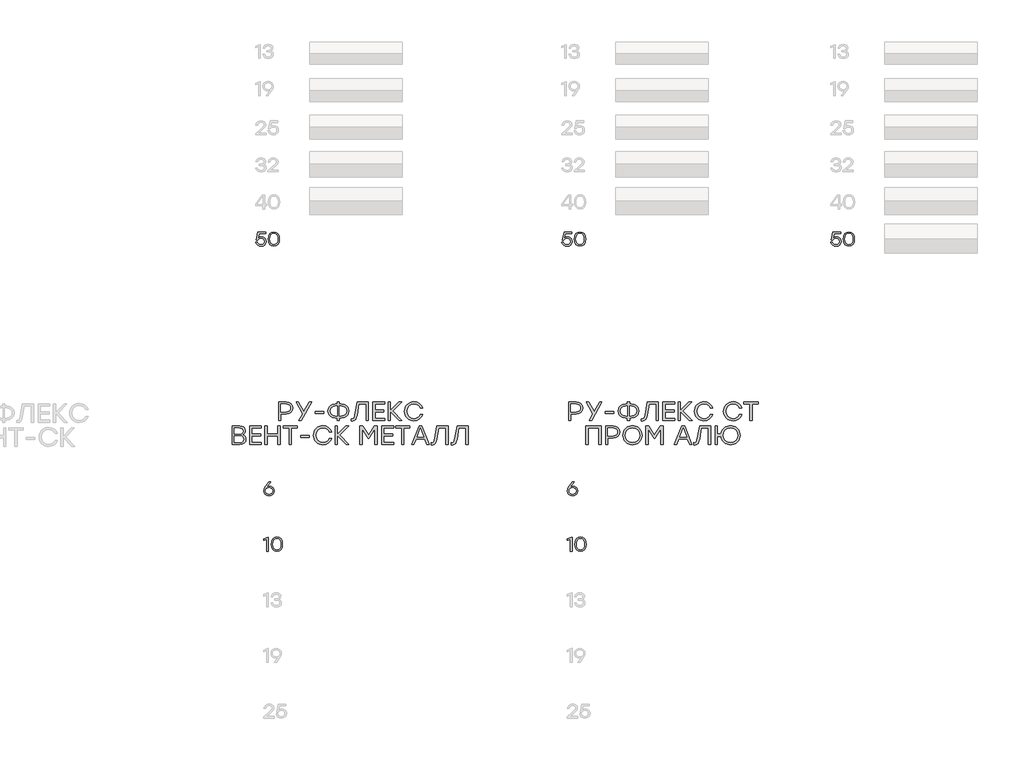
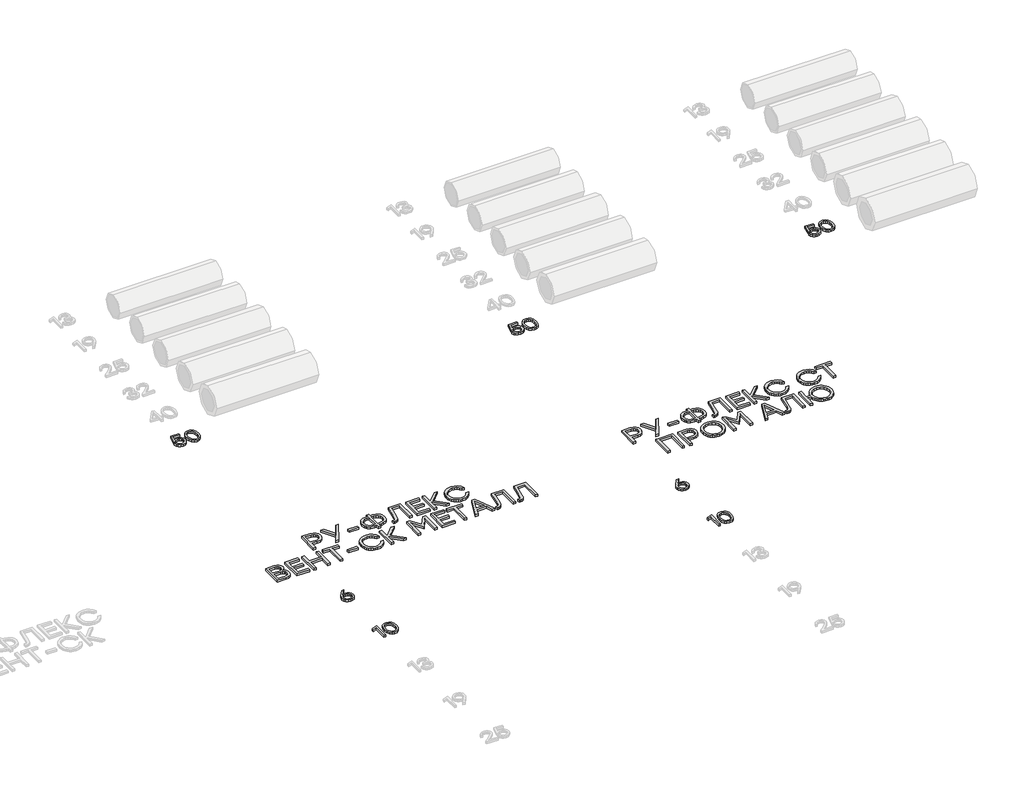
# One storey, part 30 of 41: 9 proxies.
"""IFC4 building model written with IfcOpenShell, lengths in millimetres."""

from ifc_helpers import new_model, si_unit, origin, origin_with_axes, place, context, project, spatial, polyline, outline, extrude, element, save

model = new_model("IFC4")

# Units and contexts
model_context = context("Model", 3, world=origin())
ifc_project = project(units=[si_unit("LENGTHUNIT", "METRE", prefix="MILLI")], contexts=[model_context])

# Site, building, storey
site = spatial("IfcSite", under=ifc_project)
building = spatial("IfcBuilding", under=site)
storey = spatial("IfcBuildingStorey", under=building, Elevation=0.0)

# Proxies
placement = place(None, origin())
element("IfcBuildingElementProxy", 1, Name="Generic Models", at=placement, inside=storey, context=model_context, shape_type="SweptSolid", body=[
    extrude(outline(polyline([(25686.1337091, -18963.3883723), (25705.8002487, -18966.7367268), (25722.3604836, -18976.7817901), (25733.6157955, -18992.6158758), (25737.3675661, -19013.3312975), (25733.3485323, -19034.848509), (25721.2914307, -19051.8777152), (25703.2335132, -19062.9666179), (25681.2120315, -19066.6629188), (25659.3720871, -19062.9968741), (25641.374682, -19051.99874), (25629.3175804, -19034.8384235), (25625.2985465, -19012.6858316), (25627.9207518, -18994.8397076), (25635.7873677, -18976.8826441), (25677.5812857, -18917.3182426), (25679.9210997, -18914.3329627), (25700.7373754, -18914.3329627), (25658.0559418, -18971.3356714), (25672.0544838, -18965.3751971), (25686.1337091, -18963.3883723)]), holes=[polyline([(25681.2120315, -19049.7597801), (25696.3199681, -19047.2384289), (25708.6443329, -19039.6743752), (25716.8437671, -19028.0459033), (25719.5769118, -19013.3312975), (25716.8437671, -18998.5158377), (25708.6443329, -18987.0689031), (25696.3703951, -18979.7468991), (25681.4137396, -18977.3062311), (25666.0839241, -18979.7721126), (25653.9007549, -18987.1697571), (25645.9433704, -18998.6923323), (25643.2909089, -19013.5330056), (25645.9937975, -19028.373679), (25654.102463, -19039.8962541), (25666.2856322, -19047.2938986), (25681.2120315, -19049.7597801)])]), origin_with_axes(), (0.0, 0.0, 1.0), 20.0),
])
element("IfcBuildingElementProxy", 2, Name="Generic Models", at=placement, inside=storey, context=model_context, shape_type="SweptSolid", body=[
    extrude(outline(polyline([(25667.2941727, -19514.3329627), (25675.4431799, -19514.3329627), (25675.4431799, -19664.3231049), (25657.6525256, -19664.3231049), (25657.6525256, -19535.1088969), (25623.1604407, -19549.0267557), (25623.1604407, -19531.4781511), (25667.2941727, -19514.3329627)])), origin_with_axes(), (0.0, 0.0, 1.0), 20.0),
    extrude(outline(polyline([(25766.1714826, -19511.9528072), (25791.6774717, -19517.0156804), (25810.7489724, -19532.2043003), (25822.6396648, -19556.6059375), (25826.603229, -19589.307863), (25822.6396648, -19622.0097885), (25810.7489724, -19646.4114257), (25791.6774717, -19661.6000455), (25766.1714826, -19666.6629188), (25740.8167746, -19661.6303017), (25721.7150177, -19646.5324506), (25709.7335566, -19622.1661123), (25705.7397363, -19589.3280338), (25709.7335566, -19556.4849126), (25721.7150177, -19532.1034462), (25740.8167746, -19516.9904669), (25766.1714826, -19511.9528072)]), holes=[polyline([(25734.9874106, -19635.0754306), (25748.4110845, -19646.0886927), (25766.1714826, -19649.7597801), (25783.9318807, -19646.0886927), (25797.3555547, -19635.0754306), (25805.7970386, -19616.2964066), (25808.6108666, -19589.3280338), (25805.7970386, -19562.359661), (25797.3555547, -19543.580637), (25783.9318807, -19532.5673748), (25766.1714826, -19528.8962875), (25748.4110845, -19532.5673748), (25734.9874106, -19543.580637), (25726.5459266, -19562.359661), (25723.7320987, -19589.3280338), (25726.5459266, -19616.2964066), (25734.9874106, -19635.0754306)])]), origin_with_axes(), (0.0, 0.0, 1.0), 20.0),
])
element("IfcBuildingElementProxy", 3, Name="Generic Models", at=placement, inside=storey, context=model_context, shape_type="SweptSolid", body=[
    extrude(outline(polyline([(25865.5114145, -18054.4104772), (25894.5304863, -18058.8749498), (25916.3956442, -18072.2683676), (25930.1117949, -18092.7215688), (25934.6838451, -18118.3653917), (25930.0714533, -18144.3991836), (25916.2342777, -18165.2692482), (25894.3287782, -18178.9853989), (25865.5114145, -18183.5574492), (25808.9255692, -18183.5574492), (25808.9255692, -18254.3973334), (25785.2046968, -18254.3973334), (25785.2046968, -18054.4104772), (25865.5114145, -18054.4104772)]), holes=[polyline([(25864.6507933, -18160.9661421), (25884.519041, -18157.9674151), (25898.94117, -18148.9712339), (25907.7154723, -18135.4030024), (25910.6402398, -18118.6881247), (25907.7154723, -18102.0404829), (25898.94117, -18088.6739596), (25884.519041, -18079.8794865), (25864.6507933, -18076.9479955), (25808.9255692, -18076.9479955), (25808.9255692, -18160.9661421), (25864.6507933, -18160.9661421)])]), origin_with_axes(), (0.0, 0.0, 1.0), 20.0),
    extrude(outline(polyline([(26143.7072241, -18054.4104772), (26030.5893224, -18254.3973334), (26003.7486981, -18254.3973334), (26045.1660943, -18181.8362067), (25972.2822347, -18054.4104772), (25999.1766479, -18054.4104772), (26058.290568, -18156.3940919), (26117.1355439, -18054.4104772), (26143.7072241, -18054.4104772)])), origin_with_axes(), (0.0, 0.0, 1.0), 20.0),
    extrude(outline(polyline([(26270.2723324, -18156.985769), (26270.2723324, -18179.5232872), (26177.6479735, -18179.5232872), (26177.6479735, -18156.985769), (26270.2723324, -18156.985769)])), origin_with_axes(), (0.0, 0.0, 1.0), 20.0),
    extrude(outline(polyline([(26460.846144, -18076.9479955), (26492.4941446, -18082.057934), (26518.265716, -18097.3877495), (26528.2553096, -18108.4900994), (26535.3907336, -18121.3573952), (26541.0990728, -18152.3868243), (26535.4243516, -18183.4162535), (26528.3309502, -18196.2835493), (26518.4001881, -18207.3858992), (26492.6622347, -18222.7157147), (26460.846144, -18227.8256532), (26441.1056447, -18227.8256532), (26441.1056447, -18254.3973334), (26417.3847723, -18254.3973334), (26417.3847723, -18227.8256532), (26397.4291178, -18227.8256532), (26365.5726854, -18222.7157147), (26339.8212848, -18207.3858992), (26329.8905227, -18196.2835493), (26322.7971213, -18183.4162535), (26317.1224001, -18152.3868243), (26322.8374629, -18121.3573952), (26329.9812914, -18108.4900994), (26339.9826513, -18097.3877495), (26365.7743935, -18082.057934), (26397.4291178, -18076.9479955), (26417.3847723, -18076.9479955), (26417.3847723, -18054.4104772), (26441.1056447, -18054.4104772), (26441.1056447, -18076.9479955), (26460.846144, -18076.9479955)]), holes=[polyline([(26460.846144, -18205.2343462), (26483.4508982, -18201.7716905), (26501.5642855, -18191.3837234), (26513.4650633, -18174.7091873), (26517.4319892, -18152.3868243), (26513.4650633, -18130.0644614), (26501.5642855, -18113.3899253), (26483.4508982, -18103.0019582), (26460.846144, -18099.5393025), (26441.1056447, -18099.5393025), (26441.1056447, -18205.2343462), (26460.846144, -18205.2343462)]), polyline([(26397.4291178, -18205.2343462), (26417.3847723, -18205.2343462), (26417.3847723, -18099.5393025), (26397.4291178, -18099.5393025), (26375.0260716, -18103.0019582), (26356.9799204, -18113.3899253), (26345.0791426, -18130.0644614), (26341.1122166, -18152.3868243), (26345.0388009, -18174.7091873), (26356.8185539, -18191.3837234), (26374.8243635, -18201.7716905), (26397.4291178, -18205.2343462)])]), origin_with_axes(), (0.0, 0.0, 1.0), 20.0),
    extrude(outline(polyline([(26630.7650462, -18054.4104772), (26751.0368618, -18054.4104772), (26751.0368618, -18254.3973334), (26727.3159894, -18254.3973334), (26727.3159894, -18076.9479955), (26650.7207008, -18076.9479955), (26631.6256675, -18193.2394379), (26624.5255424, -18223.2603266), (26614.735976, -18242.9672078), (26601.5308191, -18253.879616), (26584.1839227, -18257.5170853), (26568.4775854, -18256.6564641), (26568.4775854, -18234.9795671), (26579.6118724, -18235.5174554), (26590.3091253, -18233.2314303), (26597.873179, -18226.3733549), (26608.1737392, -18191.8409284), (26630.7650462, -18054.4104772)])), origin_with_axes(), (0.0, 0.0, 1.0), 20.0),
    extrude(outline(polyline([(26927.6255786, -18076.9479955), (26824.4586097, -18076.9479955), (26824.4586097, -18140.4188105), (26920.7406088, -18140.4188105), (26920.7406088, -18162.9563287), (26824.4586097, -18162.9563287), (26824.4586097, -18231.8060264), (26927.6255786, -18231.8060264), (26927.6255786, -18254.3973334), (26800.7377373, -18254.3973334), (26800.7377373, -18054.4104772), (26927.6255786, -18054.4104772), (26927.6255786, -18076.9479955)])), origin_with_axes(), (0.0, 0.0, 1.0), 20.0),
    extrude(outline(polyline([(27114.2728058, -18254.3973334), (27083.7207525, -18254.3973334), (26989.6978841, -18157.2547131), (26989.6978841, -18254.3973334), (26965.9770117, -18254.3973334), (26965.9770117, -18054.4104772), (26989.6978841, -18054.4104772), (26989.6978841, -18148.1106127), (27080.6010006, -18054.4104772), (27110.8841098, -18054.4104772), (27016.2695643, -18152.4137188), (27114.2728058, -18254.3973334)])), origin_with_axes(), (0.0, 0.0, 1.0), 20.0),
    extrude(outline(polyline([(27243.3122001, -18257.5170853), (27222.1143598, -18255.6781798), (27202.7890431, -18250.1614633), (27185.3362499, -18240.9669358), (27169.7559801, -18228.0945974), (27156.9424732, -18212.4538152), (27147.7899682, -18194.9539568), (27142.2984652, -18175.595022), (27140.4679642, -18154.3770109), (27142.2984652, -18133.1589998), (27147.7899682, -18113.8000651), (27156.9424732, -18096.3002066), (27169.7559801, -18080.6594245), (27185.3362499, -18067.787086), (27202.7890431, -18058.5925585), (27222.1143598, -18053.075842), (27243.3122001, -18051.2369365), (27274.7921107, -18055.7753687), (27302.3185426, -18069.3906654), (27324.0626756, -18090.6439754), (27338.1956897, -18118.0964476), (27312.7535749, -18118.0964476), (27301.2898313, -18099.8889299), (27285.1868014, -18085.8231518), (27265.4395785, -18076.8269706), (27243.043256, -18073.8282435), (27212.1415753, -18079.5769243), (27186.8877213, -18096.8229668), (27170.0652659, -18122.715563), (27164.4577808, -18154.4039053), (27170.0652659, -18186.0922476), (27186.8877213, -18211.9848439), (27212.1415753, -18229.2308863), (27243.043256, -18234.9795671), (27265.4395785, -18231.9808401), (27285.1868014, -18222.9846589), (27301.2898313, -18208.9054336), (27312.7535749, -18190.6575743), (27338.1956897, -18190.6575743), (27324.0626756, -18218.1436645), (27302.3185426, -18239.3902509), (27274.7921107, -18252.9853767), (27243.3122001, -18257.5170853)])), origin_with_axes(), (0.0, 0.0, 1.0), 20.0),
    extrude(outline(polyline([(25397.4948369, -18406.6328557), (25412.6263061, -18413.4606748), (25423.4344984, -18424.2083547), (25429.9194137, -18438.8758952), (25432.0810522, -18457.4632965), (25427.898971, -18480.6664515), (25415.3527272, -18498.2083324), (25394.8053956, -18509.2417654), (25366.6200506, -18512.9195764), (25282.6019039, -18512.9195764), (25282.6019039, -18312.9327203), (25365.2215411, -18312.9327203), (25391.5175536, -18316.2541803), (25410.4848384, -18326.2185603), (25421.9620293, -18342.2476306), (25425.7877595, -18363.7631611), (25424.0194519, -18378.1214159), (25418.7145289, -18390.05245), (25409.8729905, -18399.5562632), (25397.4948369, -18406.6328557)]), holes=[polyline([(25366.3511065, -18490.3282694), (25384.730076, -18488.1699927), (25397.8579115, -18481.6951628), (25405.7346127, -18470.9037795), (25408.3601798, -18455.7958429), (25405.8589994, -18440.472751), (25398.3554581, -18429.3586348), (25385.2040901, -18422.6014135), (25365.7594294, -18420.3490064), (25306.3227763, -18420.3490064), (25306.3227763, -18490.3282694), (25366.3511065, -18490.3282694)]), polyline([(25401.797943, -18367.205646), (25399.5119179, -18353.4222592), (25392.6538425, -18343.4847736), (25380.511015, -18337.4738723), (25362.3707333, -18335.4702385), (25306.3227763, -18335.4702385), (25306.3227763, -18398.6183205), (25361.7790562, -18398.6183205), (25380.3630957, -18396.6214104), (25392.6538425, -18390.6306798), (25399.5119179, -18380.780601), (25401.797943, -18367.205646)])]), origin_with_axes(), (0.0, 0.0, 1.0), 20.0),
    extrude(outline(polyline([(25598.8264137, -18335.4702385), (25495.6594449, -18335.4702385), (25495.6594449, -18398.9410535), (25591.941444, -18398.9410535), (25591.941444, -18421.4785717), (25495.6594449, -18421.4785717), (25495.6594449, -18490.3282694), (25598.8264137, -18490.3282694), (25598.8264137, -18512.9195764), (25471.9385725, -18512.9195764), (25471.9385725, -18312.9327203), (25598.8264137, -18312.9327203), (25598.8264137, -18335.4702385)])), origin_with_axes(), (0.0, 0.0, 1.0), 20.0),
    extrude(outline(polyline([(25776.9212176, -18312.9327203), (25800.64209, -18312.9327203), (25800.64209, -18512.9195764), (25776.9212176, -18512.9195764), (25776.9212176, -18420.9406835), (25660.8987193, -18420.9406835), (25660.8987193, -18512.9195764), (25637.1778469, -18512.9195764), (25637.1778469, -18312.9327203), (25660.8987193, -18312.9327203), (25660.8987193, -18398.3493764), (25776.9212176, -18398.3493764), (25776.9212176, -18312.9327203)])), origin_with_axes(), (0.0, 0.0, 1.0), 20.0),
    extrude(outline(polyline([(25988.0961496, -18312.9327203), (25988.0961496, -18335.4702385), (25923.4957693, -18335.4702385), (25923.4957693, -18512.9195764), (25899.5059527, -18512.9195764), (25899.5059527, -18335.4702385), (25835.2283053, -18335.4702385), (25835.2283053, -18312.9327203), (25988.0961496, -18312.9327203)])), origin_with_axes(), (0.0, 0.0, 1.0), 20.0),
    extrude(outline(polyline([(26115.3605127, -18415.508012), (26115.3605127, -18438.0455302), (26022.7361538, -18438.0455302), (26022.7361538, -18415.508012), (26115.3605127, -18415.508012)])), origin_with_axes(), (0.0, 0.0, 1.0), 20.0),
    extrude(outline(polyline([(26262.2040084, -18516.0393284), (26241.0061682, -18514.2004229), (26221.6808514, -18508.6837064), (26204.2280582, -18499.4891789), (26188.6477885, -18486.6168404), (26175.8342815, -18470.9760582), (26166.6817765, -18453.4761998), (26161.1902736, -18434.117265), (26159.3597726, -18412.8992539), (26161.1902736, -18391.6812429), (26166.6817765, -18372.3223081), (26175.8342815, -18354.8224496), (26188.6477885, -18339.1816675), (26204.2280582, -18326.309329), (26221.6808514, -18317.1148015), (26241.0061682, -18311.598085), (26262.2040084, -18309.7591795), (26293.683919, -18314.2976117), (26321.2103509, -18327.9129084), (26342.9544839, -18349.1662184), (26357.087498, -18376.6186906), (26331.6453832, -18376.6186906), (26320.1816396, -18358.4111729), (26304.0786097, -18344.3453948), (26284.3313869, -18335.3492136), (26261.9350643, -18332.3504865), (26231.0333836, -18338.0991674), (26205.7795297, -18355.3452098), (26188.9570742, -18381.237806), (26183.3495891, -18412.9261483), (26188.9570742, -18444.6144906), (26205.7795297, -18470.5070869), (26231.0333836, -18487.7531293), (26261.9350643, -18493.5018101), (26284.3313869, -18490.5030831), (26304.0786097, -18481.5069019), (26320.1816396, -18467.4276766), (26331.6453832, -18449.1798173), (26357.087498, -18449.1798173), (26342.9544839, -18476.6659075), (26321.2103509, -18497.9124939), (26293.683919, -18511.5076197), (26262.2040084, -18516.0393284)])), origin_with_axes(), (0.0, 0.0, 1.0), 20.0),
    extrude(outline(polyline([(26542.8203152, -18512.9195764), (26512.2682619, -18512.9195764), (26418.2453935, -18415.7769561), (26418.2453935, -18512.9195764), (26394.5245211, -18512.9195764), (26394.5245211, -18312.9327203), (26418.2453935, -18312.9327203), (26418.2453935, -18406.6328557), (26509.14851, -18312.9327203), (26539.4316192, -18312.9327203), (26444.8170737, -18410.9359618), (26542.8203152, -18512.9195764)])), origin_with_axes(), (0.0, 0.0, 1.0), 20.0),
    extrude(outline(polyline([(26817.6274288, -18312.9327203), (26846.7809726, -18312.9327203), (26846.7809726, -18512.9195764), (26823.0601002, -18512.9195764), (26823.0601002, -18343.4847736), (26755.3399679, -18445.7911212), (26753.0808372, -18445.7911212), (26685.3607049, -18343.4847736), (26685.3607049, -18512.9195764), (26661.6398325, -18512.9195764), (26661.6398325, -18312.9327203), (26690.7933764, -18312.9327203), (26754.2104026, -18408.3540981), (26817.6274288, -18312.9327203)])), origin_with_axes(), (0.0, 0.0, 1.0), 20.0),
    extrude(outline(polyline([(27024.0151553, -18335.4702385), (26920.8481865, -18335.4702385), (26920.8481865, -18398.9410535), (27017.1301855, -18398.9410535), (27017.1301855, -18421.4785717), (26920.8481865, -18421.4785717), (26920.8481865, -18490.3282694), (27024.0151553, -18490.3282694), (27024.0151553, -18512.9195764), (26897.1273141, -18512.9195764), (26897.1273141, -18312.9327203), (27024.0151553, -18312.9327203), (27024.0151553, -18335.4702385)])), origin_with_axes(), (0.0, 0.0, 1.0), 20.0),
    extrude(outline(polyline([(27199.8508285, -18312.9327203), (27199.8508285, -18335.4702385), (27135.2504481, -18335.4702385), (27135.2504481, -18512.9195764), (27111.2606315, -18512.9195764), (27111.2606315, -18335.4702385), (27046.9829841, -18335.4702385), (27046.9829841, -18312.9327203), (27199.8508285, -18312.9327203)])), origin_with_axes(), (0.0, 0.0, 1.0), 20.0),
    extrude(outline(polyline([(27384.5078691, -18512.9195764), (27360.7869967, -18452.8912463), (27267.9474826, -18452.8912463), (27244.2266102, -18512.9195764), (27219.1072283, -18512.9195764), (27299.091213, -18312.9327203), (27329.6432663, -18312.9327203), (27409.6810398, -18512.9195764), (27384.5078691, -18512.9195764)]), holes=[polyline([(27277.091583, -18430.3537281), (27351.9656292, -18430.3537281), (27314.5286061, -18335.4702385), (27277.091583, -18430.3537281)])]), origin_with_axes(), (0.0, 0.0, 1.0), 20.0),
    extrude(outline(polyline([(27491.386267, -18312.9327203), (27611.6580826, -18312.9327203), (27611.6580826, -18512.9195764), (27587.9372102, -18512.9195764), (27587.9372102, -18335.4702385), (27511.3419215, -18335.4702385), (27492.2468882, -18451.7616809), (27485.1467631, -18481.7825696), (27475.3571968, -18501.4894508), (27462.1520399, -18512.401859), (27444.8051434, -18516.0393284), (27429.0988061, -18515.1787071), (27429.0988061, -18493.5018101), (27440.2330932, -18494.0396984), (27450.930346, -18491.7536733), (27458.4943997, -18484.8955979), (27468.7949599, -18450.3631714), (27491.386267, -18312.9327203)])), origin_with_axes(), (0.0, 0.0, 1.0), 20.0),
    extrude(outline(polyline([(27708.2628146, -18312.9327203), (27828.5346302, -18312.9327203), (27828.5346302, -18512.9195764), (27804.8137578, -18512.9195764), (27804.8137578, -18335.4702385), (27728.2184692, -18335.4702385), (27709.1234358, -18451.7616809), (27702.0233108, -18481.7825696), (27692.2337444, -18501.4894508), (27679.0285875, -18512.401859), (27661.681691, -18516.0393284), (27645.9753538, -18515.1787071), (27645.9753538, -18493.5018101), (27657.1096408, -18494.0396984), (27667.8068936, -18491.7536733), (27675.3709473, -18484.8955979), (27685.6715076, -18450.3631714), (27708.2628146, -18312.9327203)])), origin_with_axes(), (0.0, 0.0, 1.0), 20.0),
])
element("IfcBuildingElementProxy", 4, Name="Generic Models", at=placement, inside=storey, context=model_context, shape_type="SweptSolid", body=[
    extrude(outline(polyline([(25600.1133644, -16272.3174479), (25620.0017829, -16275.6910158), (25636.4208221, -16285.8117197), (25647.4340843, -16301.5096524), (25651.1051717, -16321.6149072), (25647.1970773, -16342.3152008), (25635.4727941, -16358.9914178), (25617.9090614, -16369.9895519), (25596.4826186, -16373.6555966), (25575.5251471, -16370.6047616), (25557.6739804, -16361.4522566), (25544.6537227, -16346.7225227), (25538.1889781, -16326.940001), (25556.1813405, -16326.940001), (25561.3299397, -16339.6425685), (25570.3210782, -16349.0270378), (25582.3176674, -16354.8211029), (25596.4826186, -16356.7524579), (25610.9703028, -16354.2311067), (25622.7248422, -16346.667053), (25630.5158175, -16335.3613141), (25633.1128093, -16321.6149072), (25630.541031, -16307.6718348), (25622.8256963, -16296.7442986), (25611.1467974, -16289.6794724), (25596.6843267, -16287.3245304), (25575.6865136, -16292.195781), (25561.1030181, -16306.8095327), (25543.9578297, -16306.8095327), (25562.1922418, -16221.3256405), (25644.0453882, -16221.3256405), (25644.0453882, -16238.2287792), (25575.6663428, -16238.2287792), (25565.8229876, -16284.9443748), (25581.2536571, -16275.4741796), (25600.1133644, -16272.3174479)])), origin_with_axes(), (0.0, 0.0, 1.0), 20.0),
    extrude(outline(polyline([(25733.2810511, -16218.945485), (25758.7870401, -16224.0083582), (25777.8585409, -16239.1969781), (25789.7492333, -16263.5986153), (25793.7127974, -16296.3005408), (25789.7492333, -16329.0024663), (25777.8585409, -16353.4041035), (25758.7870401, -16368.5927233), (25733.2810511, -16373.6555966), (25707.9263431, -16368.6229795), (25688.8245861, -16353.5251284), (25676.8431251, -16329.1587901), (25672.8493047, -16296.3207116), (25676.8431251, -16263.4775904), (25688.8245861, -16239.096124), (25707.9263431, -16223.9831447), (25733.2810511, -16218.945485)]), holes=[polyline([(25702.096979, -16342.0681084), (25715.520653, -16353.0813705), (25733.2810511, -16356.7524579), (25751.0414492, -16353.0813705), (25764.4651231, -16342.0681084), (25772.906607, -16323.2890844), (25775.720435, -16296.3207116), (25772.906607, -16269.3523388), (25764.4651231, -16250.5733148), (25751.0414492, -16239.5600526), (25733.2810511, -16235.8889653), (25715.520653, -16239.5600526), (25702.096979, -16250.5733148), (25693.6554951, -16269.3523388), (25690.8416671, -16296.3207116), (25693.6554951, -16323.2890844), (25702.096979, -16342.0681084)])]), origin_with_axes(), (0.0, 0.0, 1.0), 20.0),
])
element("IfcBuildingElementProxy", 5, Name="Generic Models", at=placement, inside=storey, context=model_context, shape_type="SweptSolid", body=[
    extrude(outline(polyline([(28900.1133644, -16272.3174479), (28920.0017829, -16275.6910158), (28936.4208221, -16285.8117197), (28947.4340843, -16301.5096524), (28951.1051717, -16321.6149072), (28947.1970773, -16342.3152008), (28935.4727941, -16358.9914178), (28917.9090614, -16369.9895519), (28896.4826186, -16373.6555966), (28875.5251471, -16370.6047616), (28857.6739804, -16361.4522566), (28844.6537227, -16346.7225227), (28838.1889781, -16326.940001), (28856.1813405, -16326.940001), (28861.3299397, -16339.6425685), (28870.3210782, -16349.0270378), (28882.3176674, -16354.8211029), (28896.4826186, -16356.7524579), (28910.9703028, -16354.2311067), (28922.7248422, -16346.667053), (28930.5158175, -16335.3613141), (28933.1128093, -16321.6149072), (28930.541031, -16307.6718348), (28922.8256963, -16296.7442986), (28911.1467974, -16289.6794724), (28896.6843267, -16287.3245304), (28875.6865136, -16292.195781), (28861.1030181, -16306.8095327), (28843.9578297, -16306.8095327), (28862.1922418, -16221.3256405), (28944.0453882, -16221.3256405), (28944.0453882, -16238.2287792), (28875.6663428, -16238.2287792), (28865.8229876, -16284.9443748), (28881.2536571, -16275.4741796), (28900.1133644, -16272.3174479)])), origin_with_axes(), (0.0, 0.0, 1.0), 20.0),
    extrude(outline(polyline([(29033.2810511, -16218.945485), (29058.7870401, -16224.0083582), (29077.8585409, -16239.1969781), (29089.7492333, -16263.5986153), (29093.7127974, -16296.3005408), (29089.7492333, -16329.0024663), (29077.8585409, -16353.4041035), (29058.7870401, -16368.5927233), (29033.2810511, -16373.6555966), (29007.9263431, -16368.6229795), (28988.8245861, -16353.5251284), (28976.8431251, -16329.1587901), (28972.8493047, -16296.3207116), (28976.8431251, -16263.4775904), (28988.8245861, -16239.096124), (29007.9263431, -16223.9831447), (29033.2810511, -16218.945485)]), holes=[polyline([(29002.096979, -16342.0681084), (29015.520653, -16353.0813705), (29033.2810511, -16356.7524579), (29051.0414492, -16353.0813705), (29064.4651231, -16342.0681084), (29072.906607, -16323.2890844), (29075.720435, -16296.3207116), (29072.906607, -16269.3523388), (29064.4651231, -16250.5733148), (29051.0414492, -16239.5600526), (29033.2810511, -16235.8889653), (29015.520653, -16239.5600526), (29002.096979, -16250.5733148), (28993.6554951, -16269.3523388), (28990.8416671, -16296.3207116), (28993.6554951, -16323.2890844), (29002.096979, -16342.0681084)])]), origin_with_axes(), (0.0, 0.0, 1.0), 20.0),
])
element("IfcBuildingElementProxy", 6, Name="Generic Models", at=placement, inside=storey, context=model_context, shape_type="SweptSolid", body=[
    extrude(outline(polyline([(31800.1133644, -16272.3174479), (31820.0017829, -16275.6910158), (31836.4208221, -16285.8117197), (31847.4340843, -16301.5096524), (31851.1051717, -16321.6149072), (31847.1970773, -16342.3152008), (31835.4727941, -16358.9914178), (31817.9090614, -16369.9895519), (31796.4826186, -16373.6555966), (31775.5251471, -16370.6047616), (31757.6739804, -16361.4522566), (31744.6537227, -16346.7225227), (31738.1889781, -16326.940001), (31756.1813405, -16326.940001), (31761.3299397, -16339.6425685), (31770.3210782, -16349.0270378), (31782.3176674, -16354.8211029), (31796.4826186, -16356.7524579), (31810.9703028, -16354.2311067), (31822.7248422, -16346.667053), (31830.5158175, -16335.3613141), (31833.1128093, -16321.6149072), (31830.541031, -16307.6718348), (31822.8256963, -16296.7442986), (31811.1467974, -16289.6794724), (31796.6843267, -16287.3245304), (31775.6865136, -16292.195781), (31761.1030181, -16306.8095327), (31743.9578297, -16306.8095327), (31762.1922418, -16221.3256405), (31844.0453882, -16221.3256405), (31844.0453882, -16238.2287792), (31775.6663428, -16238.2287792), (31765.8229876, -16284.9443748), (31781.2536571, -16275.4741796), (31800.1133644, -16272.3174479)])), origin_with_axes(), (0.0, 0.0, 1.0), 20.0),
    extrude(outline(polyline([(31933.2810511, -16218.945485), (31958.7870401, -16224.0083582), (31977.8585409, -16239.1969781), (31989.7492333, -16263.5986153), (31993.7127974, -16296.3005408), (31989.7492333, -16329.0024663), (31977.8585409, -16353.4041035), (31958.7870401, -16368.5927233), (31933.2810511, -16373.6555966), (31907.9263431, -16368.6229795), (31888.8245861, -16353.5251284), (31876.8431251, -16329.1587901), (31872.8493047, -16296.3207116), (31876.8431251, -16263.4775904), (31888.8245861, -16239.096124), (31907.9263431, -16223.9831447), (31933.2810511, -16218.945485)]), holes=[polyline([(31902.096979, -16342.0681084), (31915.520653, -16353.0813705), (31933.2810511, -16356.7524579), (31951.0414492, -16353.0813705), (31964.4651231, -16342.0681084), (31972.906607, -16323.2890844), (31975.720435, -16296.3207116), (31972.906607, -16269.3523388), (31964.4651231, -16250.5733148), (31951.0414492, -16239.5600526), (31933.2810511, -16235.8889653), (31915.520653, -16239.5600526), (31902.096979, -16250.5733148), (31893.6554951, -16269.3523388), (31890.8416671, -16296.3207116), (31893.6554951, -16323.2890844), (31902.096979, -16342.0681084)])]), origin_with_axes(), (0.0, 0.0, 1.0), 20.0),
])
element("IfcBuildingElementProxy", 7, Name="Generic Models", at=placement, inside=storey, context=model_context, shape_type="SweptSolid", body=[
    extrude(outline(polyline([(28959.0241406, -18963.3883723), (28978.6906803, -18966.7367268), (28995.2509151, -18976.7817901), (29006.5062271, -18992.6158758), (29010.2579977, -19013.3312975), (29006.2389638, -19034.848509), (28994.1818622, -19051.8777152), (28976.1239447, -19062.9666179), (28954.102463, -19066.6629188), (28932.2625187, -19062.9968741), (28914.2651136, -19051.99874), (28902.208012, -19034.8384235), (28898.1889781, -19012.6858316), (28900.8111834, -18994.8397076), (28908.6777992, -18976.8826441), (28950.4717173, -18917.3182426), (28952.8115312, -18914.3329627), (28973.627807, -18914.3329627), (28930.9463733, -18971.3356714), (28944.9449154, -18965.3751971), (28959.0241406, -18963.3883723)]), holes=[polyline([(28954.102463, -19049.7597801), (28969.2103996, -19047.2384289), (28981.5347644, -19039.6743752), (28989.7341987, -19028.0459033), (28992.4673434, -19013.3312975), (28989.7341987, -18998.5158377), (28981.5347644, -18987.0689031), (28969.2608266, -18979.7468991), (28954.3041711, -18977.3062311), (28938.9743556, -18979.7721126), (28926.7911865, -18987.1697571), (28918.833802, -18998.6923323), (28916.1813405, -19013.5330056), (28918.884229, -19028.373679), (28926.9928946, -19039.8962541), (28939.1760637, -19047.2938986), (28954.102463, -19049.7597801)])]), origin_with_axes(), (0.0, 0.0, 1.0), 20.0),
])
element("IfcBuildingElementProxy", 8, Name="Generic Models", at=placement, inside=storey, context=model_context, shape_type="SweptSolid", body=[
    extrude(outline(polyline([(28940.1846042, -19514.3329627), (28948.3336114, -19514.3329627), (28948.3336114, -19664.3231049), (28930.5429571, -19664.3231049), (28930.5429571, -19535.1088969), (28896.0508722, -19549.0267557), (28896.0508722, -19531.4781511), (28940.1846042, -19514.3329627)])), origin_with_axes(), (0.0, 0.0, 1.0), 20.0),
    extrude(outline(polyline([(29039.0619142, -19511.9528072), (29064.5679032, -19517.0156804), (29083.639404, -19532.2043003), (29095.5300964, -19556.6059375), (29099.4936605, -19589.307863), (29095.5300964, -19622.0097885), (29083.639404, -19646.4114257), (29064.5679032, -19661.6000455), (29039.0619142, -19666.6629188), (29013.7072062, -19661.6303017), (28994.6054492, -19646.5324506), (28982.6239882, -19622.1661123), (28978.6301678, -19589.3280338), (28982.6239882, -19556.4849126), (28994.6054492, -19532.1034462), (29013.7072062, -19516.9904669), (29039.0619142, -19511.9528072)]), holes=[polyline([(29007.8778421, -19635.0754306), (29021.3015161, -19646.0886927), (29039.0619142, -19649.7597801), (29056.8223123, -19646.0886927), (29070.2459862, -19635.0754306), (29078.6874701, -19616.2964066), (29081.5012981, -19589.3280338), (29078.6874701, -19562.359661), (29070.2459862, -19543.580637), (29056.8223123, -19532.5673748), (29039.0619142, -19528.8962875), (29021.3015161, -19532.5673748), (29007.8778421, -19543.580637), (28999.4363582, -19562.359661), (28996.6225302, -19589.3280338), (28999.4363582, -19616.2964066), (29007.8778421, -19635.0754306)])]), origin_with_axes(), (0.0, 0.0, 1.0), 20.0),
])
element("IfcBuildingElementProxy", 9, Name="Generic Models", at=placement, inside=storey, context=model_context, shape_type="SweptSolid", body=[
    extrude(outline(polyline([(28993.3268533, -18054.4104772), (29022.3459251, -18058.8749498), (29044.211083, -18072.2683676), (29057.9272337, -18092.7215688), (29062.4992839, -18118.3653917), (29057.886892, -18144.3991836), (29044.0497165, -18165.2692482), (29022.144217, -18178.9853989), (28993.3268533, -18183.5574492), (28936.741008, -18183.5574492), (28936.741008, -18254.3973334), (28913.0201356, -18254.3973334), (28913.0201356, -18054.4104772), (28993.3268533, -18054.4104772)]), holes=[polyline([(28992.4662321, -18160.9661421), (29012.3344798, -18157.9674151), (29026.7566088, -18148.9712339), (29035.5309111, -18135.4030024), (29038.4556785, -18118.6881247), (29035.5309111, -18102.0404829), (29026.7566088, -18088.6739596), (29012.3344798, -18079.8794865), (28992.4662321, -18076.9479955), (28936.741008, -18076.9479955), (28936.741008, -18160.9661421), (28992.4662321, -18160.9661421)])]), origin_with_axes(), (0.0, 0.0, 1.0), 20.0),
    extrude(outline(polyline([(29271.5226629, -18054.4104772), (29158.4047612, -18254.3973334), (29131.5641369, -18254.3973334), (29172.9815331, -18181.8362067), (29100.0976735, -18054.4104772), (29126.9920866, -18054.4104772), (29186.1060067, -18156.3940919), (29244.9509827, -18054.4104772), (29271.5226629, -18054.4104772)])), origin_with_axes(), (0.0, 0.0, 1.0), 20.0),
    extrude(outline(polyline([(29398.0877712, -18156.985769), (29398.0877712, -18179.5232872), (29305.4634123, -18179.5232872), (29305.4634123, -18156.985769), (29398.0877712, -18156.985769)])), origin_with_axes(), (0.0, 0.0, 1.0), 20.0),
    extrude(outline(polyline([(29588.6615827, -18076.9479955), (29620.3095834, -18082.057934), (29646.0811548, -18097.3877495), (29656.0707484, -18108.4900994), (29663.2061724, -18121.3573952), (29668.9145116, -18152.3868243), (29663.2397904, -18183.4162535), (29656.1463889, -18196.2835493), (29646.2156269, -18207.3858992), (29620.4776735, -18222.7157147), (29588.6615827, -18227.8256532), (29568.9210835, -18227.8256532), (29568.9210835, -18254.3973334), (29545.2002111, -18254.3973334), (29545.2002111, -18227.8256532), (29525.2445565, -18227.8256532), (29493.3881242, -18222.7157147), (29467.6367236, -18207.3858992), (29457.7059615, -18196.2835493), (29450.61256, -18183.4162535), (29444.9378389, -18152.3868243), (29450.6529017, -18121.3573952), (29457.7967302, -18108.4900994), (29467.7980901, -18097.3877495), (29493.5898323, -18082.057934), (29525.2445565, -18076.9479955), (29545.2002111, -18076.9479955), (29545.2002111, -18054.4104772), (29568.9210835, -18054.4104772), (29568.9210835, -18076.9479955), (29588.6615827, -18076.9479955)]), holes=[polyline([(29588.6615827, -18205.2343462), (29611.266337, -18201.7716905), (29629.3797242, -18191.3837234), (29641.2805021, -18174.7091873), (29645.247428, -18152.3868243), (29641.2805021, -18130.0644614), (29629.3797242, -18113.3899253), (29611.266337, -18103.0019582), (29588.6615827, -18099.5393025), (29568.9210835, -18099.5393025), (29568.9210835, -18205.2343462), (29588.6615827, -18205.2343462)]), polyline([(29525.2445565, -18205.2343462), (29545.2002111, -18205.2343462), (29545.2002111, -18099.5393025), (29525.2445565, -18099.5393025), (29502.8415104, -18103.0019582), (29484.7953592, -18113.3899253), (29472.8945813, -18130.0644614), (29468.9276554, -18152.3868243), (29472.8542397, -18174.7091873), (29484.6339927, -18191.3837234), (29502.6398023, -18201.7716905), (29525.2445565, -18205.2343462)])]), origin_with_axes(), (0.0, 0.0, 1.0), 20.0),
    extrude(outline(polyline([(29758.580485, -18054.4104772), (29878.8523006, -18054.4104772), (29878.8523006, -18254.3973334), (29855.1314282, -18254.3973334), (29855.1314282, -18076.9479955), (29778.5361396, -18076.9479955), (29759.4411062, -18193.2394379), (29752.3409812, -18223.2603266), (29742.5514148, -18242.9672078), (29729.3462579, -18253.879616), (29711.9993614, -18257.5170853), (29696.2930242, -18256.6564641), (29696.2930242, -18234.9795671), (29707.4273112, -18235.5174554), (29718.124564, -18233.2314303), (29725.6886177, -18226.3733549), (29735.989178, -18191.8409284), (29758.580485, -18054.4104772)])), origin_with_axes(), (0.0, 0.0, 1.0), 20.0),
    extrude(outline(polyline([(30055.4410173, -18076.9479955), (29952.2740485, -18076.9479955), (29952.2740485, -18140.4188105), (30048.5560476, -18140.4188105), (30048.5560476, -18162.9563287), (29952.2740485, -18162.9563287), (29952.2740485, -18231.8060264), (30055.4410173, -18231.8060264), (30055.4410173, -18254.3973334), (29928.5531761, -18254.3973334), (29928.5531761, -18054.4104772), (30055.4410173, -18054.4104772), (30055.4410173, -18076.9479955)])), origin_with_axes(), (0.0, 0.0, 1.0), 20.0),
    extrude(outline(polyline([(30242.0882446, -18254.3973334), (30211.5361913, -18254.3973334), (30117.5133229, -18157.2547131), (30117.5133229, -18254.3973334), (30093.7924505, -18254.3973334), (30093.7924505, -18054.4104772), (30117.5133229, -18054.4104772), (30117.5133229, -18148.1106127), (30208.4164393, -18054.4104772), (30238.6995485, -18054.4104772), (30144.0850031, -18152.4137188), (30242.0882446, -18254.3973334)])), origin_with_axes(), (0.0, 0.0, 1.0), 20.0),
    extrude(outline(polyline([(30371.1276389, -18257.5170853), (30349.9297986, -18255.6781798), (30330.6044819, -18250.1614633), (30313.1516886, -18240.9669358), (30297.5714189, -18228.0945974), (30284.757912, -18212.4538152), (30275.605407, -18194.9539568), (30270.113904, -18175.595022), (30268.283403, -18154.3770109), (30270.113904, -18133.1589998), (30275.605407, -18113.8000651), (30284.757912, -18096.3002066), (30297.5714189, -18080.6594245), (30313.1516886, -18067.787086), (30330.6044819, -18058.5925585), (30349.9297986, -18053.075842), (30371.1276389, -18051.2369365), (30402.6075495, -18055.7753687), (30430.1339813, -18069.3906654), (30451.8781144, -18090.6439754), (30466.0111285, -18118.0964476), (30440.5690136, -18118.0964476), (30429.10527, -18099.8889299), (30413.0022402, -18085.8231518), (30393.2550173, -18076.8269706), (30370.8586948, -18073.8282435), (30339.957014, -18079.5769243), (30314.7031601, -18096.8229668), (30297.8807047, -18122.715563), (30292.2732195, -18154.4039053), (30297.8807047, -18186.0922476), (30314.7031601, -18211.9848439), (30339.957014, -18229.2308863), (30370.8586948, -18234.9795671), (30393.2550173, -18231.9808401), (30413.0022402, -18222.9846589), (30429.10527, -18208.9054336), (30440.5690136, -18190.6575743), (30466.0111285, -18190.6575743), (30451.8781144, -18218.1436645), (30430.1339813, -18239.3902509), (30402.6075495, -18252.9853767), (30371.1276389, -18257.5170853)])), origin_with_axes(), (0.0, 0.0, 1.0), 20.0),
    extrude(outline(polyline([(30684.3937632, -18257.5170853), (30663.195923, -18255.6781798), (30643.8706062, -18250.1614633), (30626.417813, -18240.9669358), (30610.8375433, -18228.0945974), (30598.0240363, -18212.4538152), (30588.8715313, -18194.9539568), (30583.3800284, -18175.595022), (30581.5495274, -18154.3770109), (30583.3800284, -18133.1589998), (30588.8715313, -18113.8000651), (30598.0240363, -18096.3002066), (30610.8375433, -18080.6594245), (30626.417813, -18067.787086), (30643.8706062, -18058.5925585), (30663.195923, -18053.075842), (30684.3937632, -18051.2369365), (30715.8736738, -18055.7753687), (30743.4001057, -18069.3906654), (30765.1442387, -18090.6439754), (30779.2772528, -18118.0964476), (30753.835138, -18118.0964476), (30742.3713944, -18099.8889299), (30726.2683645, -18085.8231518), (30706.5211417, -18076.8269706), (30684.1248191, -18073.8282435), (30653.2231384, -18079.5769243), (30627.9692845, -18096.8229668), (30611.146829, -18122.715563), (30605.5393439, -18154.4039053), (30611.146829, -18186.0922476), (30627.9692845, -18211.9848439), (30653.2231384, -18229.2308863), (30684.1248191, -18234.9795671), (30706.5211417, -18231.9808401), (30726.2683645, -18222.9846589), (30742.3713944, -18208.9054336), (30753.835138, -18190.6575743), (30779.2772528, -18190.6575743), (30765.1442387, -18218.1436645), (30743.4001057, -18239.3902509), (30715.8736738, -18252.9853767), (30684.3937632, -18257.5170853)])), origin_with_axes(), (0.0, 0.0, 1.0), 20.0),
    extrude(outline(polyline([(30954.1985159, -18054.4104772), (30954.1985159, -18076.9479955), (30889.5981356, -18076.9479955), (30889.5981356, -18254.3973334), (30865.608319, -18254.3973334), (30865.608319, -18076.9479955), (30801.3306716, -18076.9479955), (30801.3306716, -18054.4104772), (30954.1985159, -18054.4104772)])), origin_with_axes(), (0.0, 0.0, 1.0), 20.0),
    extrude(outline(polyline([(29262.3785624, -18312.9327203), (29262.3785624, -18512.9195764), (29238.65769, -18512.9195764), (29238.65769, -18335.4702385), (29122.6351917, -18335.4702385), (29122.6351917, -18512.9195764), (29098.9143193, -18512.9195764), (29098.9143193, -18312.9327203), (29122.6351917, -18312.9327203), (29262.3785624, -18312.9327203)])), origin_with_axes(), (0.0, 0.0, 1.0), 20.0),
    extrude(outline(polyline([(29392.6550997, -18312.9327203), (29421.6741715, -18317.3971928), (29443.5393294, -18330.7906106), (29457.2554801, -18351.2438118), (29461.8275303, -18376.8876347), (29457.2151385, -18402.9214266), (29443.3779629, -18423.7914913), (29421.4724634, -18437.507642), (29392.6550997, -18442.0796922), (29336.0692545, -18442.0796922), (29336.0692545, -18512.9195764), (29312.3483821, -18512.9195764), (29312.3483821, -18312.9327203), (29392.6550997, -18312.9327203)]), holes=[polyline([(29391.7944785, -18419.4883851), (29411.6627262, -18416.4896581), (29426.0848553, -18407.4934769), (29434.8591575, -18393.9252454), (29437.783925, -18377.2103677), (29434.8591575, -18360.5627259), (29426.0848553, -18347.1962026), (29411.6627262, -18338.4017295), (29391.7944785, -18335.4702385), (29336.0692545, -18335.4702385), (29336.0692545, -18419.4883851), (29391.7944785, -18419.4883851)])]), origin_with_axes(), (0.0, 0.0, 1.0), 20.0),
    extrude(outline(polyline([(29526.4279107, -18339.343034), (29542.2216548, -18326.4000976), (29559.7500886, -18317.1551431), (29579.013212, -18311.6081704), (29600.0110251, -18309.7591795), (29620.9903482, -18311.6081704), (29640.1980019, -18317.1551431), (29657.6339862, -18326.4000976), (29673.2983009, -18339.343034), (29686.2294709, -18355.035924), (29695.466021, -18372.5307398), (29701.007951, -18391.8274812), (29702.855261, -18412.9261483), (29700.9978656, -18434.0231346), (29695.4256793, -18453.3148333), (29686.1387023, -18470.8012445), (29673.1369344, -18486.4823683), (29657.4037027, -18499.4135383), (29639.9223342, -18508.6500883), (29620.6928288, -18514.1920183), (29599.7151865, -18516.0393284), (29578.7375443, -18514.1920183), (29559.5080389, -18508.6500883), (29542.0266703, -18499.4135383), (29526.2934387, -18486.4823683), (29513.2916708, -18470.8012445), (29504.0046938, -18453.3148333), (29498.4325075, -18434.0231346), (29496.5751121, -18412.9261483), (29498.440912, -18391.8274812), (29504.0383118, -18372.5307398), (29513.3673113, -18355.035924), (29526.4279107, -18339.343034)]), holes=[polyline([(29599.742081, -18332.3504865), (29568.9345307, -18338.1327854), (29543.4251798, -18355.4796819), (29526.2799914, -18381.3991725), (29520.5649286, -18412.8992539), (29526.2799914, -18444.4060589), (29543.4251798, -18470.3457204), (29568.9345307, -18487.7127877), (29599.742081, -18493.5018101), (29630.7109977, -18487.7531293), (29656.1665597, -18470.5070869), (29673.1907233, -18444.6144906), (29678.8654444, -18412.9261483), (29673.1907233, -18381.237806), (29656.1665597, -18355.3452098), (29630.7109977, -18338.0991674), (29599.742081, -18332.3504865)])]), origin_with_axes(), (0.0, 0.0, 1.0), 20.0),
    extrude(outline(polyline([(29900.6905641, -18312.9327203), (29929.8441079, -18312.9327203), (29929.8441079, -18512.9195764), (29906.1232355, -18512.9195764), (29906.1232355, -18343.4847736), (29838.4031032, -18445.7911212), (29836.1439725, -18445.7911212), (29768.4238402, -18343.4847736), (29768.4238402, -18512.9195764), (29744.7029678, -18512.9195764), (29744.7029678, -18312.9327203), (29773.8565117, -18312.9327203), (29837.2735379, -18408.3540981), (29900.6905641, -18312.9327203)])), origin_with_axes(), (0.0, 0.0, 1.0), 20.0),
    extrude(outline(polyline([(30216.269608, -18512.9195764), (30192.5487356, -18452.8912463), (30099.7092214, -18452.8912463), (30075.988349, -18512.9195764), (30050.8689671, -18512.9195764), (30130.8529518, -18312.9327203), (30161.4050052, -18312.9327203), (30241.4427787, -18512.9195764), (30216.269608, -18512.9195764)]), holes=[polyline([(30108.8533219, -18430.3537281), (30183.7273681, -18430.3537281), (30146.290345, -18335.4702385), (30108.8533219, -18430.3537281)])]), origin_with_axes(), (0.0, 0.0, 1.0), 20.0),
    extrude(outline(polyline([(30323.1480058, -18312.9327203), (30443.4198214, -18312.9327203), (30443.4198214, -18512.9195764), (30419.698949, -18512.9195764), (30419.698949, -18335.4702385), (30343.1036604, -18335.4702385), (30324.0086271, -18451.7616809), (30316.908502, -18481.7825696), (30307.1189356, -18501.4894508), (30293.9137787, -18512.401859), (30276.5668823, -18516.0393284), (30260.860545, -18515.1787071), (30260.860545, -18493.5018101), (30271.994832, -18494.0396984), (30282.6920849, -18491.7536733), (30290.2561385, -18484.8955979), (30300.5566988, -18450.3631714), (30323.1480058, -18312.9327203)])), origin_with_axes(), (0.0, 0.0, 1.0), 20.0),
    extrude(outline(polyline([(30657.4455613, -18309.7591795), (30678.4332889, -18311.6081704), (30697.6661561, -18317.1551431), (30715.1441629, -18326.4000976), (30730.8673092, -18339.343034), (30743.8573107, -18355.035924), (30753.1358833, -18372.5307398), (30758.7030268, -18391.8274812), (30760.5587413, -18412.9261483), (30758.7030268, -18434.0231346), (30753.1358833, -18453.3148333), (30743.8573107, -18470.8012445), (30730.8673092, -18486.4823683), (30715.1441629, -18499.4135383), (30697.6661561, -18508.6500883), (30678.4332889, -18514.1920183), (30657.4455613, -18516.0393284), (30637.8882802, -18514.4239827), (30619.773212, -18509.5779456), (30603.1003568, -18501.5012171), (30587.8697145, -18490.1937973), (30574.9250972, -18476.4053679), (30565.1103173, -18460.8856106), (30558.4253748, -18443.6345255), (30554.8702695, -18424.6521125), (30516.8415693, -18424.6521125), (30516.8415693, -18512.9195764), (30493.1206969, -18512.9195764), (30493.1206969, -18312.9327203), (30516.8415693, -18312.9327203), (30516.8415693, -18401.7918613), (30554.6013254, -18401.7918613), (30558.1547497, -18382.6581672), (30564.8346496, -18365.2759718), (30574.641025, -18349.6452751), (30587.5738759, -18335.766077), (30602.8129228, -18324.3880594), (30619.5378859, -18316.2609039), (30637.7487654, -18311.3846106), (30657.4455613, -18309.7591795)]), holes=[polyline([(30600.9672937, -18470.5339813), (30626.4631973, -18487.7598529), (30657.4455613, -18493.5018101), (30688.414478, -18487.7531293), (30713.8700401, -18470.5070869), (30730.8942036, -18444.6144906), (30736.5689248, -18412.9261483), (30730.8942036, -18381.237806), (30713.8700401, -18355.3452098), (30688.414478, -18338.0991674), (30657.4455613, -18332.3504865), (30626.4699209, -18338.0991674), (30600.9941881, -18355.3452098), (30583.8826177, -18381.237806), (30577.9994648, -18412.9261483), (30583.8758941, -18444.6212142), (30600.9672937, -18470.5339813)])]), origin_with_axes(), (0.0, 0.0, 1.0), 20.0),
])

save(model, "model.ifc")
